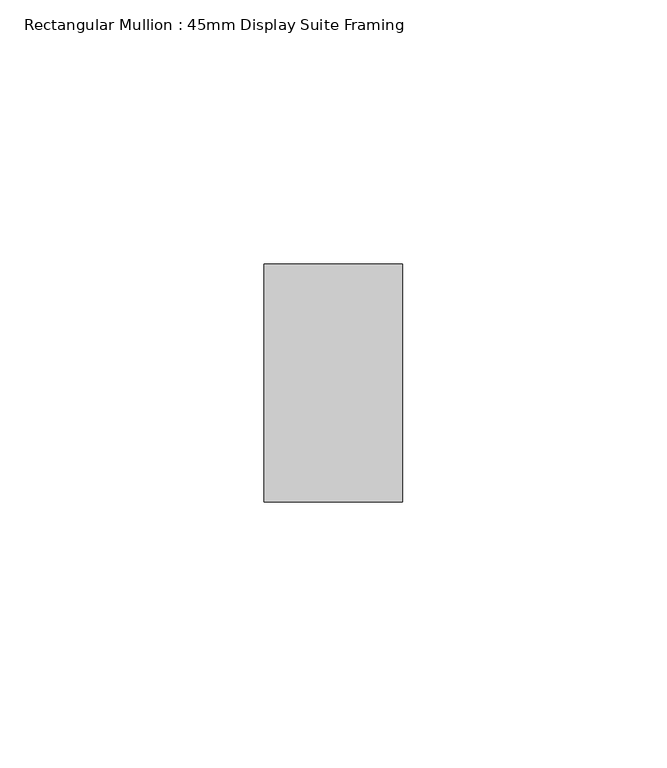
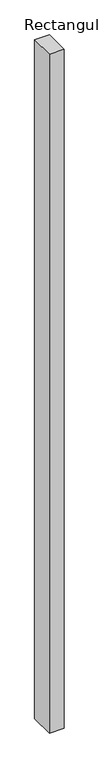
"""IFC4 building model written with IfcOpenShell, lengths in millimetres: member geometry, Rectangular Mullion : 45mm Display Suite Framing."""

import ifcopenshell
import ifcopenshell.guid

model = None  # the IFC model being written
_history = None  # IfcOwnerHistory: only IFC2X3 demands one
_inside = {}  # id of a spatial element -> (the spatial element, [elements in it])
_under = {}  # id of a project, library or spatial element -> (it, [spatial elements below it])
_declared = {}  # id of a project -> (the project, [libraries it declares])
_typed = {}  # id of a type object -> (the type object, [elements of that type])
_made_of = {}  # id of a material, layer set ... -> (it, [elements and type objects made of it])


def new_model(schema):
    """Start an empty IFC model of exactly this schema.

    Asked for "IFC4X3", IfcOpenShell would pick the latest addendum, in which some entities
    have other attributes; the version numbers below select the first issue.
    IFC2X3 requires an IfcOwnerHistory on every rooted entity: one is made here for all.
    """
    global model, _history
    if schema == "IFC4X3":
        model = ifcopenshell.file(schema_version=(4, 3, 0, 0))
    else:
        model = ifcopenshell.file(schema=schema)
    _inside.clear()
    _under.clear()
    _declared.clear()
    _typed.clear()
    _made_of.clear()
    _history = None
    if model.schema == "IFC2X3":
        org = make("IfcOrganization", Name="unknown")
        user = make(
            "IfcPersonAndOrganization",
            ThePerson=make("IfcPerson", FamilyName="unknown"),
            TheOrganization=org,
        )
        app = make(
            "IfcApplication",
            ApplicationDeveloper=org,
            Version="unknown",
            ApplicationFullName="unknown",
            ApplicationIdentifier="unknown",
        )
        _history = make(
            "IfcOwnerHistory",
            OwningUser=user,
            OwningApplication=app,
            ChangeAction="ADDED",
            CreationDate=0,
        )
    return model


def make(cls, **values):
    """One entity of the class cls with the attributes given. An attribute that is None is left unset."""
    return model.create_entity(
        cls, **{name: value for name, value in values.items() if value is not None}
    )


def rooted(cls, **values):
    """An entity with a GlobalId (a new one), such as an element, a storey or a relation."""
    return make(cls, GlobalId=ifcopenshell.guid.new(), OwnerHistory=_history, **values)


def si_unit(unit_type, name, prefix=None):
    """IfcSIUnit, for example si_unit("LENGTHUNIT", "METRE", prefix="MILLI")."""
    return make("IfcSIUnit", UnitType=unit_type, Prefix=prefix, Name=name)


def assignment(units):
    """IfcUnitAssignment: the units of a project."""
    return None if units is None else make("IfcUnitAssignment", Units=units)


def point(xyz):
    """IfcCartesianPoint."""
    return None if xyz is None else make("IfcCartesianPoint", Coordinates=xyz)


def direction(xyz):
    """IfcDirection."""
    return None if xyz is None else make("IfcDirection", DirectionRatios=xyz)


def frame(location, z_axis=None, x_axis=None):
    """IfcAxis2Placement3D, a coordinate frame: its origin and axes. An axis left out is left unset."""
    return make(
        "IfcAxis2Placement3D",
        Location=point(location),
        Axis=direction(z_axis),
        RefDirection=direction(x_axis),
    )


def origin():
    """The frame at (0, 0, 0) with its axes left unset."""
    return frame((0.0, 0.0, 0.0))


def place(relative_to, where):
    """IfcLocalPlacement: puts the frame where relative to a parent placement (None: the world)."""
    return make(
        "IfcLocalPlacement", PlacementRelTo=relative_to, RelativePlacement=where
    )


def context(
    kind, dimensions, precision=None, world=None, true_north=None, identifier=None
):
    """IfcGeometricRepresentationContext, for example the 3D "Model" context."""
    return make(
        "IfcGeometricRepresentationContext",
        ContextIdentifier=identifier,
        ContextType=kind,
        CoordinateSpaceDimension=dimensions,
        Precision=precision,
        WorldCoordinateSystem=world,
        TrueNorth=true_north,
    )


def project(units=None, contexts=None):
    """IfcProject with its units and contexts."""
    return rooted(
        "IfcProject",
        Name="project",
        RepresentationContexts=contexts,
        UnitsInContext=assignment(units),
    )


def spatial(cls, under=None, at=None, **own):
    """A site, building, storey or space (cls), placed at a placement, below another one or the project."""
    s = rooted(cls, ObjectPlacement=at, **own)
    if under is not None:
        _under.setdefault(under.id(), (under, []))[1].append(s)
    return s


def polyline(points):
    """IfcPolyline through the points."""
    return make("IfcPolyline", Points=[point(p) for p in points])


def outline(outer, holes=None, kind="AREA"):
    """IfcArbitraryClosedProfileDef: a profile drawn as a closed curve; with holes, ...WithVoids."""
    if holes is None:
        return make("IfcArbitraryClosedProfileDef", ProfileType=kind, OuterCurve=outer)
    return make(
        "IfcArbitraryProfileDefWithVoids",
        ProfileType=kind,
        OuterCurve=outer,
        InnerCurves=holes,
    )


def extrude(swept, where, along, depth):
    """IfcExtrudedAreaSolid: the profile swept, set in the frame where, extruded along a direction by depth."""
    return make(
        "IfcExtrudedAreaSolid",
        SweptArea=swept,
        Position=where,
        ExtrudedDirection=direction(along),
        Depth=depth,
    )


def shape(context_of_items, identifier, shape_type, items):
    """IfcShapeRepresentation: the items that make up one representation, for example the "Body"."""
    return make(
        "IfcShapeRepresentation",
        ContextOfItems=context_of_items,
        RepresentationIdentifier=identifier,
        RepresentationType=shape_type,
        Items=items,
    )


def source(mapping_origin, context_of_items, identifier, shape_type, items):
    """IfcRepresentationMap: a shape defined once, which mapped items show again and again."""
    return make(
        "IfcRepresentationMap",
        MappingOrigin=mapping_origin,
        MappedRepresentation=shape(context_of_items, identifier, shape_type, items),
    )


def transform(
    local_origin,
    x_axis=None,
    y_axis=None,
    z_axis=None,
    scale=None,
    scale2=None,
    scale3=None,
    uniform=True,
):
    """IfcCartesianTransformationOperator3D, or its non-uniform kind. x_axis, y_axis, z_axis: its Axis1, 2, 3."""
    if uniform:
        return make(
            "IfcCartesianTransformationOperator3D",
            Axis1=direction(x_axis),
            Axis2=direction(y_axis),
            LocalOrigin=point(local_origin),
            Scale=scale,
            Axis3=direction(z_axis),
        )
    return make(
        "IfcCartesianTransformationOperator3DnonUniform",
        Axis1=direction(x_axis),
        Axis2=direction(y_axis),
        LocalOrigin=point(local_origin),
        Scale=scale,
        Axis3=direction(z_axis),
        Scale2=scale2,
        Scale3=scale3,
    )


def mapped(mapping_source, mapping_target):
    """IfcMappedItem: shows the shape of a source again, moved by a transform."""
    return make(
        "IfcMappedItem", MappingSource=mapping_source, MappingTarget=mapping_target
    )


def made_of(thing, what):
    """Note that an element or type object is made of a material, layer set ...; save() writes the relation."""
    if what is not None:
        _made_of.setdefault(what.id(), (what, []))[1].append(thing)
    return thing


def element(
    cls,
    number,
    at=None,
    inside=None,
    cuts=None,
    type_object=None,
    material=None,
    context=None,
    identifier="Body",
    shape_type=None,
    held_by="IfcProductDefinitionShape",
    body=None,
    shapes=None,
    **own,
):
    """One element of the class cls, such as IfcWall. Its Tag is "e" and its number.

    at: its placement. inside: the storey or other place that contains it. cuts: it is an
    opening in that element (IfcRelVoidsElement). A single representation is given by context,
    identifier, shape_type and body (its items); several are given by shapes. held_by: the class
    of the entity that holds the representations. save() writes the other relations.
    """
    e = rooted(cls, Tag="e%d" % number, ObjectPlacement=at, **own)
    if body is not None:
        shapes = [shape(context, identifier, shape_type, body)]
    if shapes is not None:
        e.Representation = make(held_by, Representations=shapes)
    if inside is not None:
        _inside.setdefault(inside.id(), (inside, []))[1].append(e)
    if cuts is not None:
        rooted(
            "IfcRelVoidsElement", RelatingBuildingElement=cuts, RelatedOpeningElement=e
        )
    if type_object is not None:
        _typed.setdefault(type_object.id(), (type_object, []))[1].append(e)
    return made_of(e, material)


def aggregate(whole, parts):
    """IfcRelAggregates: a whole, such as a stair, and the parts it consists of."""
    return rooted("IfcRelAggregates", RelatingObject=whole, RelatedObjects=parts)


def save(model, path):
    """Write the relations noted so far, then the file.

    IfcRelAggregates (storeys below a building ...), IfcRelContainedInSpatialStructure (elements
    in a storey), IfcRelDefinesByType, IfcRelAssociatesMaterial and IfcRelDeclares: one each for
    every whole, place, type object, material and project.
    """
    for whole, parts in _under.values():
        aggregate(whole, parts)
    for where, things in _inside.values():
        rooted(
            "IfcRelContainedInSpatialStructure",
            RelatedElements=things,
            RelatingStructure=where,
        )
    for kind, things in _typed.values():
        rooted("IfcRelDefinesByType", RelatedObjects=things, RelatingType=kind)
    for what, things in _made_of.values():
        rooted("IfcRelAssociatesMaterial", RelatedObjects=things, RelatingMaterial=what)
    for by, libraries in _declared.values():
        rooted("IfcRelDeclares", RelatingContext=by, RelatedDefinitions=libraries)
    model.write(path)


def rectangular_mullion_45mm_display_suite_framing_a394f687(model_context):
    return source(origin(), model_context, "Body", "SweptSolid", [
        extrude(outline(polyline([(0.0, 22.5), (0.0, -22.5), (-26.2, -22.5), (-26.2, 22.5), (0.0, 22.5)])), frame((0.0, 0.0, -1273.8), z_axis=(0.0, 0.0, 1.0), x_axis=(1.0, 0.0, 0.0)), (0.0, 0.0, 1.0), 1273.8),
    ])


if __name__ == "__main__":
    model = new_model("IFC4")
    model_context = context("Model", 3, world=origin())
    ifc_project = project(units=[si_unit("LENGTHUNIT", "METRE", prefix="MILLI")], contexts=[model_context])
    site = spatial("IfcSite", under=ifc_project)
    building = spatial("IfcBuilding", under=site)
    placement = place(None, origin())
    rectangular_mullion_45mm_display_suite_framing_shape = rectangular_mullion_45mm_display_suite_framing_a394f687(model_context)
    element("IfcMember", 1, ObjectType="Rectangular Mullion : 45mm Display Suite Framing", at=placement, inside=building, context=model_context, shape_type="MappedRepresentation", body=[
        mapped(rectangular_mullion_45mm_display_suite_framing_shape, transform((0.0, 0.0, 0.0), x_axis=(1.0, 0.0, 0.0), y_axis=(0.0, 1.0, 0.0), z_axis=(0.0, 0.0, 1.0))),
    ])
    save(model, "model.ifc")
